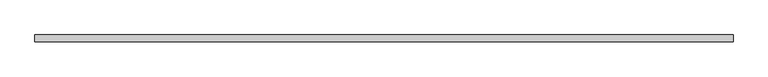
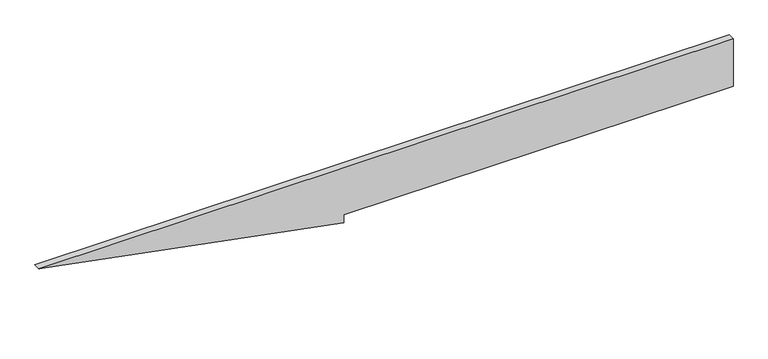
"""IFC4 building model written with IfcOpenShell, lengths in millimetres: plate geometry."""

from ifc_helpers import new_model, si_unit, frame, origin, place, context, project, spatial, polyline, outline, extrude, source, transform, mapped, element, save


def plate_80ca2524(model_context):
    return source(origin(), model_context, "Body", "SweptSolid", [
        extrude(outline(polyline([(0.0, -126.0723674), (25.0, -126.0723674), (25.0, 1040.8450947), (175.0, 1040.8450947), (175.0, -1040.8450947), (0.0, -126.0723674)])), frame((0.0, 20.0, 0.0), z_axis=(0.0, 1.0, 0.0), x_axis=(0.0, 0.0, 1.0)), (0.0, 0.0, 1.0), 20.0),
    ])


if __name__ == "__main__":
    model = new_model("IFC4")
    model_context = context("Model", 3, world=origin())
    ifc_project = project(units=[si_unit("LENGTHUNIT", "METRE", prefix="MILLI")], contexts=[model_context])
    site = spatial("IfcSite", under=ifc_project)
    building = spatial("IfcBuilding", under=site)
    placement = place(None, origin())
    plate_shape = plate_80ca2524(model_context)
    element("IfcPlate", 1, at=placement, inside=building, context=model_context, shape_type="MappedRepresentation", body=[
        mapped(plate_shape, transform((0.0, 0.0, 0.0), x_axis=(1.0, 0.0, 0.0), y_axis=(0.0, 1.0, 0.0), z_axis=(0.0, 0.0, 1.0))),
    ])
    save(model, "model.ifc")
